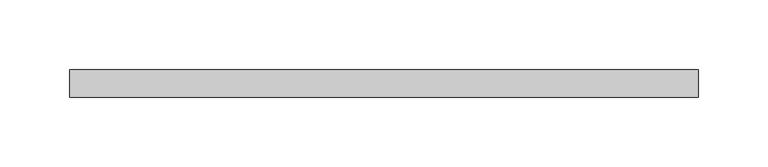
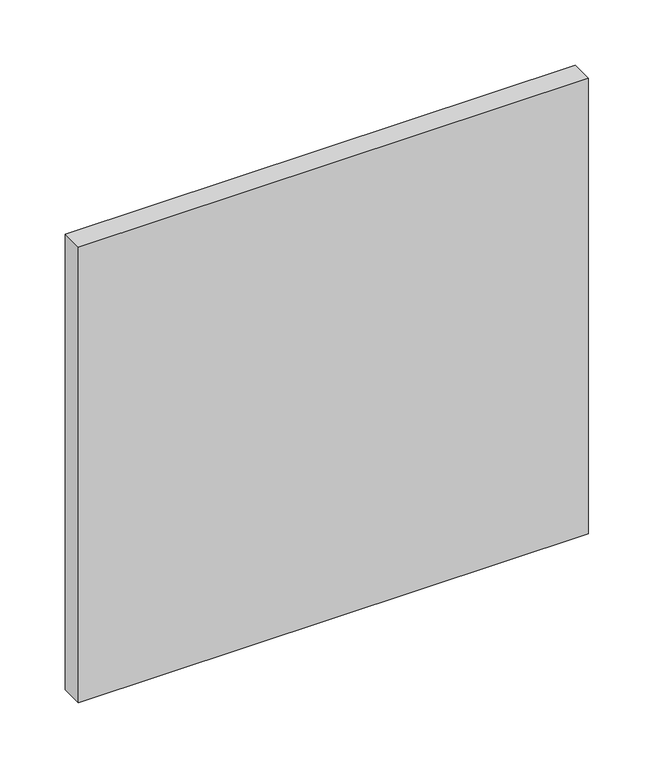
"""IFC4 building model written with IfcOpenShell, lengths in millimetres: plate geometry."""

from ifc_helpers import new_model, si_unit, origin, origin_with_axes, place, context, project, spatial, polyline, outline, extrude, source, transform, mapped, element, save


def plate_a5249da9(model_context):
    return source(origin(), model_context, "Body", "SweptSolid", [
        extrude(outline(polyline([(226.25, -90.0), (-226.25, -90.0), (-226.25, -70.0), (226.25, -70.0), (226.25, -90.0)])), origin_with_axes(), (0.0, 0.0, 1.0), 427.3076923),
    ])


if __name__ == "__main__":
    model = new_model("IFC4")
    model_context = context("Model", 3, world=origin())
    ifc_project = project(units=[si_unit("LENGTHUNIT", "METRE", prefix="MILLI")], contexts=[model_context])
    site = spatial("IfcSite", under=ifc_project)
    building = spatial("IfcBuilding", under=site)
    placement = place(None, origin())
    plate_shape = plate_a5249da9(model_context)
    element("IfcPlate", 1, at=placement, inside=building, context=model_context, shape_type="MappedRepresentation", body=[
        mapped(plate_shape, transform((0.0, 0.0, 0.0), x_axis=(1.0, 0.0, 0.0), y_axis=(0.0, 1.0, 0.0), z_axis=(0.0, 0.0, 1.0))),
    ])
    save(model, "model.ifc")
